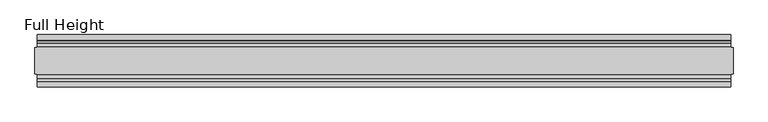
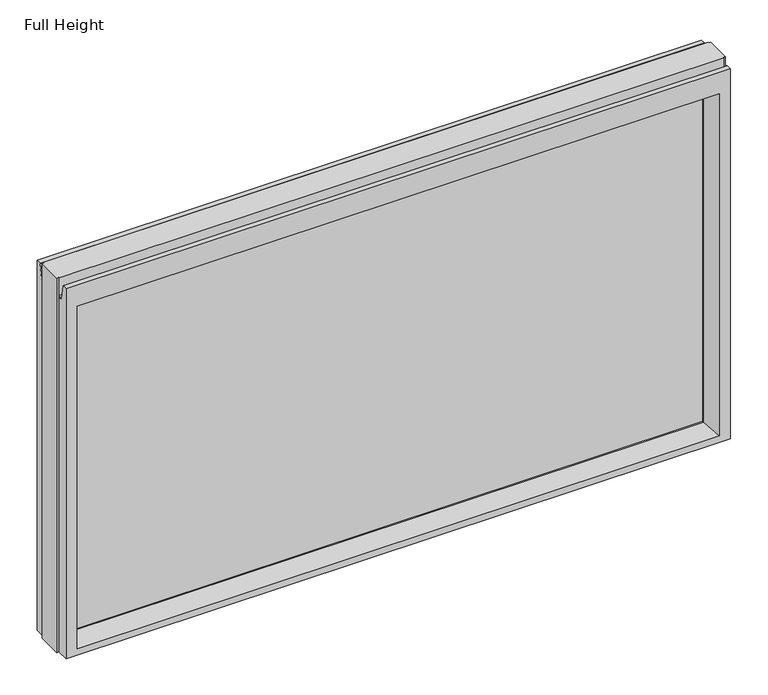
"""IFC4 building model written with IfcOpenShell, lengths in millimetres: plate geometry, Full Height."""

from ifc_helpers import new_model, si_unit, frame, origin, place, context, project, spatial, polyline, circle_curve, outline, extrude, source, transform, mapped, element, save
from ifc_brep_helpers import plane_surface, cylinder_surface, revolved_surface, advanced_brep


def full_height_74e5dd55(model_context):
    return source(origin(), model_context, "Body", "SolidModel", [
        advanced_brep(
        [(663.1051, -50.0, 0.0), (-663.1051, -50.0, 0.0), (-663.1051, -25.146, 0.0), (-667.6771, -25.146, 0.0), (-667.6771, 25.146, 0.0), (-663.1051, 25.146, 0.0), (-663.1051, 50.0, 0.0), (663.1051, 50.0, 0.0), (663.1051, 25.146, 0.0), (667.6771, 25.146, 0.0), (667.6771, -25.146, 0.0), (663.1051, -25.146, 0.0), (667.6771, -25.146, 789.94), (667.6771, 25.146, 789.94), (663.1051, 25.146, 789.94), (663.1051, 26.67, 789.94), (-663.1051, 26.67, 789.94), (-663.1051, 25.146, 789.94), (-667.6771, 25.146, 789.94), (-667.6771, -25.146, 789.94), (-663.1051, -25.146, 789.94), (-663.1051, -26.67, 789.94), (663.1051, -26.67, 789.94), (663.1051, -25.146, 789.94), (-663.1051, -26.67, 752.729), (663.1051, -26.67, 752.729), (-663.1051, 26.67, 752.729), (-663.1051, 34.2321175, 752.0674004), (-663.1051, 39.1867152, 780.1663199), (-663.1051, 39.9371387, 780.796), (-663.1051, 50.0, 780.796), (-663.1051, -50.0, 780.796), (-663.1051, -39.9371387, 780.796), (-663.1051, -39.1867152, 780.1663199), (-663.1051, -34.2321175, 752.0674004), (663.1051, 50.0, 780.796), (-641.0071, 50.0, 736.219), (-641.0071, 50.0, 13.9954), (641.0071, 50.0, 13.9954), (641.0071, 50.0, 736.219), (663.1051, -50.0, 780.796), (-641.0071, -50.0, 13.9954), (-641.0071, -50.0, 736.219), (641.0071, -50.0, 736.219), (641.0071, -50.0, 13.9954), (-635.0381, 6.1006519, 730.25), (-635.0381, 6.1006519, 18.3896), (-635.0381, -6.1006519, 18.3896), (-635.0381, -6.1006519, 730.25), (635.0381, -6.1006519, 730.25), (635.0381, -6.1006519, 18.3896), (635.0381, 6.1006519, 730.25), (635.0381, 6.1006519, 18.3896), (663.1051, -34.2321175, 752.0674004), (663.1051, -39.1867152, 780.1663199), (663.1051, -39.9371387, 780.796), (663.1051, 39.9371387, 780.796), (663.1051, 39.1867152, 780.1663199), (663.1051, 34.2321175, 752.0674004), (663.1051, 26.67, 752.729)],
        [
            (0, 1),
            (1, 2),
            (2, 3),
            (3, 4),
            (4, 5),
            (5, 6),
            (6, 7),
            (7, 8),
            (8, 9),
            (9, 10),
            (10, 11),
            (11, 0),
            (12, 13),
            (13, 14),
            (14, 15),
            (15, 16),
            (16, 17),
            (17, 18),
            (18, 19),
            (19, 20),
            (20, 21),
            (21, 22),
            (22, 23),
            (23, 12),
            (10, 12),
            (23, 11),
            (13, 9),
            (8, 14),
            (18, 4),
            (3, 19),
            (17, 5),
            (2, 20),
            (24, 25),
            (25, 22),
            (21, 24),
            (16, 26),
            (26, 27, circle_curve(frame((-663.1051, 30.48, 752.729), z_axis=(1.0, 0.0, 0.0), x_axis=(0.0, 1.0, 0.0)), 3.81)),
            (27, 28),
            (28, 29, circle_curve(frame((-663.1051, 39.9371387, 780.034), z_axis=(-1.0, 0.0, 0.0), x_axis=(0.0, 1.0, 0.0)), 0.762)),
            (29, 30),
            (30, 6),
            (1, 31),
            (31, 32),
            (32, 33, circle_curve(frame((-663.1051, -39.9371387, 780.034), z_axis=(-1.0, 0.0, 0.0), x_axis=(0.0, 1.0, 0.0)), 0.762)),
            (33, 34),
            (34, 24, circle_curve(frame((-663.1051, -30.48, 752.729), z_axis=(1.0, 0.0, 0.0), x_axis=(0.0, 1.0, 0.0)), 3.81)),
            (30, 35),
            (35, 7),
            (36, 37),
            (37, 38),
            (38, 39),
            (39, 36),
            (0, 40),
            (40, 31),
            (41, 42),
            (42, 43),
            (43, 44),
            (44, 41),
            (36, 45),
            (45, 46),
            (46, 37),
            (41, 47),
            (47, 48),
            (48, 42),
            (43, 49),
            (49, 50),
            (50, 44),
            (51, 39),
            (38, 52),
            (52, 51),
            (25, 53, circle_curve(frame((663.1051, -30.48, 752.729), z_axis=(-1.0, 0.0, 0.0), x_axis=(0.0, 1.0, 0.0)), 3.81)),
            (53, 54),
            (54, 55, circle_curve(frame((663.1051, -39.9371387, 780.034), z_axis=(1.0, 0.0, 0.0), x_axis=(0.0, 1.0, 0.0)), 0.762)),
            (55, 40),
            (35, 56),
            (56, 57, circle_curve(frame((663.1051, 39.9371387, 780.034), z_axis=(1.0, 0.0, 0.0), x_axis=(0.0, 1.0, 0.0)), 0.762)),
            (57, 58),
            (58, 59, circle_curve(frame((663.1051, 30.48, 752.729), z_axis=(-1.0, 0.0, 0.0), x_axis=(0.0, 1.0, 0.0)), 3.81)),
            (59, 15),
            (55, 32),
            (29, 56),
            (59, 26),
            (51, 45),
            (33, 54),
            (53, 34),
            (28, 57),
            (27, 58),
            (46, 52),
            (50, 47),
            (48, 49),
            (51, 49),
            (48, 45),
            (46, 47),
            (50, 52),
        ],
        [
            plane_surface(frame((-663.1051, 50.0, 0.0), z_axis=(0.0, 0.0, -1.0), x_axis=(0.0, -1.0, 0.0))),
            plane_surface(frame((663.1051, -25.146, 789.94), z_axis=(0.0, 0.0, 1.0), x_axis=(-1.0, 0.0, 0.0))),
            plane_surface(frame((667.6771, -25.146, 789.94), z_axis=(0.0, -1.0, 0.0), x_axis=(0.0, 0.0, -1.0))),
            plane_surface(frame((663.1051, 25.146, 789.94), z_axis=(0.0, 1.0, 0.0), x_axis=(0.0, 0.0, -1.0))),
            plane_surface(frame((667.6771, 25.146, 789.94), z_axis=(1.0, 0.0, 0.0), x_axis=(0.0, 0.0, -1.0))),
            plane_surface(frame((-667.6771, -25.146, 789.94), z_axis=(-1.0, 0.0, 0.0), x_axis=(0.0, 0.0, -1.0))),
            plane_surface(frame((-667.6771, 25.146, 789.94), z_axis=(0.0, 1.0, 0.0), x_axis=(0.0, 0.0, -1.0))),
            plane_surface(frame((-663.1051, -25.146, 789.94), z_axis=(0.0, -1.0, 0.0), x_axis=(0.0, 0.0, -1.0))),
            plane_surface(frame((-663.1051, -26.67, 789.94), z_axis=(0.0, -1.0, 0.0), x_axis=(1.0, 0.0, 0.0))),
            plane_surface(frame((-663.1051, -50.0, 748.0046), z_axis=(-1.0, 0.0, 0.0), x_axis=(0.0, 0.0, -1.0))),
            plane_surface(frame((-663.1051, 50.0, 748.0046), z_axis=(0.0, 1.0, 0.0), x_axis=(0.0, 0.0, -1.0))),
            plane_surface(frame((-641.0071, -50.0, 748.0046), z_axis=(0.0, -1.0, 0.0), x_axis=(0.0, 0.0, -1.0))),
            plane_surface(frame((-641.0071, 50.0, 748.0046), z_axis=(0.990882294353361, 0.13473039277393772, 0.0), x_axis=(0.0, 0.0, -1.0))),
            plane_surface(frame((-635.0381, -6.1006519, 748.0046), z_axis=(0.990882294353361, -0.13473039277393709, 0.0), x_axis=(0.0, 0.0, -1.0))),
            plane_surface(frame((641.0071, -50.0, 748.0046), z_axis=(-0.9908822943533622, -0.134730392773928, 0.0), x_axis=(0.0, 0.0, -1.0))),
            plane_surface(frame((635.0381, 6.1006519, 748.0046), z_axis=(-0.9908822943533581, 0.13473039277395868, 0.0), x_axis=(0.0, 0.0, -1.0))),
            plane_surface(frame((663.1051, 50.0, 748.0046), z_axis=(1.0, 0.0, 0.0), x_axis=(0.0, 0.0, -1.0))),
            plane_surface(frame((-663.1051, -39.9371387, 780.796), z_axis=(0.0, 0.0, 1.0), x_axis=(1.0, 0.0, 0.0))),
            plane_surface(frame((-663.1051, 50.0, 780.796), z_axis=(0.0, 0.0, 1.0), x_axis=(1.0, 0.0, 0.0))),
            plane_surface(frame((-663.1051, 26.67, 752.729), z_axis=(0.0, 1.0, 0.0), x_axis=(1.0, 0.0, 0.0))),
            plane_surface(frame((-663.1051, 6.1006519, 730.25), z_axis=(0.0, 0.13473039277393184, -0.9908822943533617), x_axis=(1.0, 0.0, 0.0))),
            plane_surface(frame((-663.1051, -34.2321175, 752.0674004), z_axis=(0.0, 0.9848077530122084, 0.17364817766692875), x_axis=(1.0, 0.0, 0.0))),
            revolved_surface(polyline([(663.1051, -26.67, 752.729), (-663.1051, -26.67, 752.729)]), (663.1051, -30.48, 752.729), (1.0, 0.0, 0.0)),
            cylinder_surface(frame((663.1051, -39.9371387, 780.034), z_axis=(-1.0, 0.0, 0.0), x_axis=(0.0, 1.0, 0.0)), 0.762),
            cylinder_surface(frame((663.1051, 39.9371387, 780.034), z_axis=(-1.0, 0.0, 0.0), x_axis=(0.0, 1.0, 0.0)), 0.762),
            plane_surface(frame((-663.1051, 39.1867152, 780.1663199), z_axis=(0.0, -0.9848077530122005, 0.17364817766697394), x_axis=(1.0, 0.0, 0.0))),
            revolved_surface(polyline([(663.1051, 34.29, 752.729), (-663.1051, 34.29, 752.729)]), (663.1051, 30.48, 752.729), (1.0, 0.0, 0.0)),
            plane_surface(frame((-663.1051, 50.0, 13.9954), z_axis=(0.0, 0.09959943661133767, 0.9950276138010965), x_axis=(1.0, 0.0, 0.0))),
            plane_surface(frame((-663.1051, -6.1006519, 18.3896), z_axis=(0.0, -0.09959943661137731, 0.9950276138010926), x_axis=(1.0, 0.0, 0.0))),
            plane_surface(frame((-663.1051, -50.0, 736.219), z_axis=(0.0, -0.13473039277391685, -0.9908822943533637), x_axis=(1.0, 0.0, 0.0))),
            plane_surface(frame((-663.1051, -6.1006519, 730.25), z_axis=(0.0, 0.0, -1.0), x_axis=(1.0, 0.0, 0.0))),
            plane_surface(frame((-663.1051, 6.1006519, 18.3896), z_axis=(0.0, 0.0, 1.0), x_axis=(1.0, 0.0, 0.0))),
            plane_surface(frame((-635.0381, 6.1006519, 748.0046), z_axis=(1.0, 0.0, 0.0), x_axis=(0.0, 0.0, -1.0))),
            plane_surface(frame((635.0381, -6.1006519, 748.0046), z_axis=(-1.0, 0.0, 0.0), x_axis=(0.0, 0.0, -1.0))),
        ],
        [
            (0, [[1, 2, 3, 4, 5, 6, 7, 8, 9, 10, 11, 12]]),
            (1, [[13, 14, 15, 16, 17, 18, 19, 20, 21, 22, 23, 24]]),
            (2, [[-11, 25, -24, 26]]),
            (3, [[27, -9, 28, -14]]),
            (4, [[-25, -10, -27, -13]]),
            (5, [[29, -4, 30, -19]]),
            (6, [[-5, -29, -18, 31]]),
            (7, [[-30, -3, 32, -20]]),
            (8, [[33, 34, -22, 35]]),
            (9, [[-31, -17, 36, 37, 38, 39, 40, 41, -6]]),
            (9, [[42, 43, 44, 45, 46, -35, -21, -32, -2]]),
            (10, [[47, 48, -7, -41], [49, 50, 51, 52]]),
            (11, [[53, 54, -42, -1], [55, 56, 57, 58]]),
            (12, [[59, 60, 61, -49]]),
            (13, [[62, 63, 64, -55]]),
            (14, [[65, 66, 67, -57]]),
            (15, [[68, -51, 69, 70]]),
            (16, [[-26, -23, -34, 71, 72, 73, 74, -53, -12]]),
            (16, [[75, 76, 77, 78, 79, -15, -28, -8, -48]]),
            (17, [[-54, -74, 80, -43]]),
            (18, [[81, -75, -47, -40]]),
            (19, [[-16, -79, 82, -36]]),
            (20, [[-68, 83, -59, -52]]),
            (21, [[84, -72, 85, -45]]),
            (22, [[-85, -71, -33, -46]]),
            (23, [[-80, -73, -84, -44]]),
            (24, [[86, -76, -81, -39]]),
            (25, [[87, -77, -86, -38]]),
            (26, [[-82, -78, -87, -37]]),
            (27, [[-61, 88, -69, -50]]),
            (28, [[-67, 89, -62, -58]]),
            (29, [[-64, 90, -65, -56]]),
            (30, [[91, -90, 92, -83]]),
            (31, [[93, -89, 94, -88]]),
            (32, [[-93, -60, -92, -63]]),
            (33, [[-94, -66, -91, -70]]),
        ],
    ),
        extrude(outline(polyline([(-635.0381, -3.175), (-635.0381, 3.175), (635.0381, 3.175), (635.0381, -3.175), (-635.0381, -3.175)])), frame((0.0, 0.0, 18.3896), z_axis=(0.0, 0.0, 1.0), x_axis=(1.0, 0.0, 0.0)), (0.0, 0.0, 1.0), 711.8604),
    ])


if __name__ == "__main__":
    model = new_model("IFC4")
    model_context = context("Model", 3, world=origin())
    ifc_project = project(units=[si_unit("LENGTHUNIT", "METRE", prefix="MILLI")], contexts=[model_context])
    site = spatial("IfcSite", under=ifc_project)
    building = spatial("IfcBuilding", under=site)
    placement = place(None, origin())
    full_height_shape = full_height_74e5dd55(model_context)
    element("IfcPlate", 1, ObjectType="Full Height", at=placement, inside=building, context=model_context, shape_type="MappedRepresentation", body=[
        mapped(full_height_shape, transform((0.0, 0.0, 0.0), x_axis=(1.0, 0.0, 0.0), y_axis=(0.0, 1.0, 0.0), z_axis=(0.0, 0.0, 1.0))),
    ])
    save(model, "model.ifc")
